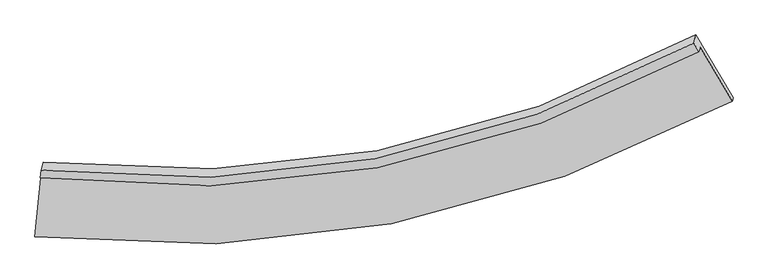
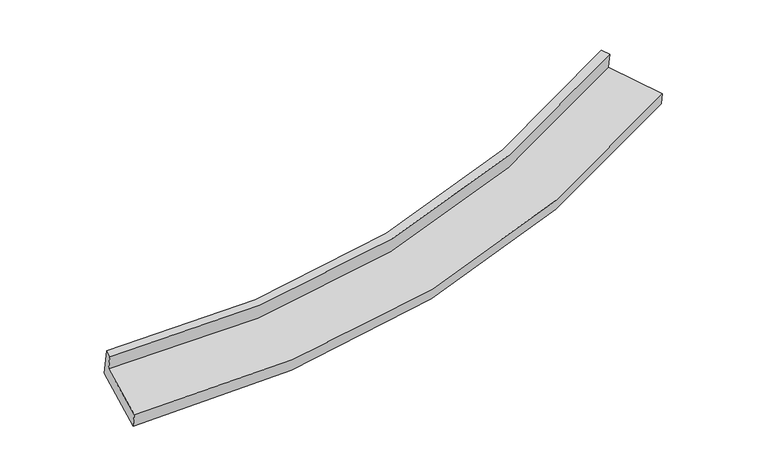
"""IFC4 building model written with IfcOpenShell, lengths in millimetres: proxy geometry."""

from ifc_helpers import new_model, si_unit, frame, origin, place, context, project, spatial, source, transform, mapped, element, save
from ifc_brep_helpers import plane_surface, spline_curve, spline_surface, advanced_brep


def generic_models_b96f1b6f(model_context):
    return source(origin(), model_context, "Body", "AdvancedBrep", [
        advanced_brep(
        [(-3861.8865782, -2026.4762737, 1872.0321728), (-3849.3615449, -1971.1550081, 1658.3889526), (3697.1291542, -527.0424236, 2423.692374), (3684.4212502, -581.3209206, 2647.2687673), (-3852.7412188, -1937.7255824, 1894.0983329), (3626.520607, -483.8196606, 2667.6484951), (-3830.8969429, -1844.4234558, 1509.7812623), (3648.8816304, -388.3103823, 2274.2400338), (-3913.1812475, -2651.7712022, 1278.7525144), (4075.049308, -1105.9515559, 2124.2385698), (-3924.4602155, -2699.9463716, 1477.1889346), (4065.3961886, -1147.1823372, 2294.0706377)],
        [
            (0, 1),
            (1, 2, spline_curve(3, [(-3849.3615449, -1971.1550081, 1658.3889526), (-2522.681765917, -2127.980373493, 1696.343085684), (-1236.966347076, -2089.565642922, 1777.902145516), (1280.384009539, -1617.028537714, 2031.030354256), (2510.165490444, -1174.072406828, 2204.572435045), (3697.1291542, -527.0424236, 2423.692374)], [4, 2, 4], [0.0, 12.690051331218951, 25.664011311000507])),
            (2, 3),
            (3, 0, spline_curve(3, [(3684.4212502, -581.3209206, 2647.2687673), (2497.596041517, -1227.4453158, 2426.869931917), (1267.898600299, -1670.042492571, 2251.849296784), (-1249.393155113, -2142.95084909, 1995.401387443), (-2535.13165677, -2182.072123708, 1912.009824245), (-3861.8865782, -2026.4762737, 1872.0321728)], [4, 2, 4], [0.0, 12.973959979781556, 25.664011311000507])),
            (4, 0),
            (3, 5),
            (5, 4, spline_curve(3, [(3626.520607, -483.8196606, 2667.6484951), (2452.436800633, -1126.850214451, 2448.724974602), (1234.751051924, -1568.663020446, 2274.577498974), (-1260.223623095, -2044.588203509, 2018.665668272), (-2535.625149314, -2087.410704928, 1934.963089435), (-3852.7412188, -1937.7255824, 1894.0983329)], [4, 2, 4], [0.0, 12.920244811496987, 25.557756421315645])),
            (6, 4),
            (5, 7),
            (7, 6, spline_curve(3, [(3648.8816304, -388.3103823, 2274.2400338), (2474.615253402, -1032.120740754, 2058.528574995), (1256.795208283, -1474.507156932, 1886.743834662), (-1238.349626261, -1951.159131675, 1633.825702533), (-2513.789105812, -1994.143740392, 1550.790852449), (-3830.8969429, -1844.4234558, 1509.7812623)], [4, 2, 4], [0.0, 12.866171863824297, 25.45079380212662])),
            (8, 6),
            (7, 9),
            (9, 8, spline_curve(3, [(4075.049308, -1105.9515559, 2124.2385698), (2818.912511053, -1788.595922119, 1899.674297077), (1517.296459341, -2257.82640044, 1716.609622945), (-1147.415722679, -2763.861556723, 1436.577332974), (-2508.543188801, -2809.90429396, 1337.813322266), (-3913.1812475, -2651.7712022, 1278.7525144)], [4, 2, 4], [0.0, 13.302177844250487, 26.31326466150644])),
            (10, 8),
            (9, 11),
            (11, 10, spline_curve(3, [(4065.3961886, -1147.1823372, 2294.0706377), (2809.641130278, -1828.196207243, 2062.790252709), (1508.07533418, -2297.212029212, 1878.841397405), (-1157.193145464, -2805.623269671, 1608.596339263), (-2518.912817636, -2854.195458773, 1520.251292927), (-3924.4602155, -2699.9463716, 1477.1889346)], [4, 2, 4], [0.0, 13.73811705239159, 27.17560343749134])),
            (1, 10),
            (11, 2),
        ],
        [
            spline_surface(3, 3, [[(-3861.8865782, -2026.4762737, 1872.0321728), (-2535.131656838, -2182.072123821, 1912.009824282), (-1249.393155179, -2142.950849259, 1995.401387389), (1267.898600367, -1670.042492398, 2251.849296839), (2497.596041486, -1227.445315927, 2426.869931916), (3684.4212502, -581.3209206, 2647.2687673)], [(-3857.711567089, -2008.035851834, 1800.817766072), (-2530.981693229, -2164.041540408, 1840.120911358), (-1245.250885892, -2125.155780466, 1922.90164003), (1272.06040346, -1652.371174177, 2178.242982712), (2501.785857864, -1209.654346268, 2352.770766324), (3688.657218197, -563.228088285, 2572.743302871)], [(-3853.536556011, -1989.595429966, 1729.603359328), (-2526.831729653, -2146.010956993, 1768.231998419), (-1241.108616536, -2107.360711685, 1850.401892674), (1276.222206623, -1634.699855966, 2104.636668589), (2505.975674251, -1191.863376554, 2278.67160072), (3692.893186203, -545.135255915, 2498.217838429)], [(-3849.3615449, -1971.1550081, 1658.3889526), (-2522.681766044, -2127.980373579, 1696.343085496), (-1236.96634725, -2089.565642892, 1777.902145315), (1280.384009717, -1617.028537745, 2031.030354462), (2510.165490629, -1174.072406895, 2204.572435129), (3697.1291542, -527.0424236, 2423.692374)]], [4, 4], [4, 2, 4], [0.0, 0.7411483774260402], [0.0, 12.690051331218951, 25.664011311000507]),
            spline_surface(3, 3, [[(-3852.7412188, -1937.7255824, 1894.0983329), (-2535.625149435, -2087.410705115, 1934.963089638), (-1260.223623099, -2044.588203622, 2018.665668183), (1234.751051928, -1568.663020332, 2274.577499066), (2452.436800834, -1126.850214573, 2448.724974591), (3626.520607, -483.8196606, 2667.6484951)], [(-3855.789671926, -1967.309146166, 1886.74294622), (-2535.460651896, -2118.96451135, 1927.312001206), (-1256.613467113, -2077.37575215, 2010.91090789), (1245.800234753, -1602.45617767, 2267.001431629), (2467.489881057, -1160.38191503, 2441.439960379), (3645.820821406, -516.320080606, 2660.855252513)], [(-3858.838125074, -1996.892709934, 1879.38755948), (-2535.296154377, -2150.518317587, 1919.660912714), (-1253.003311165, -2110.16330073, 2003.156147682), (1256.849417541, -1636.249335059, 2259.425364276), (2482.542961263, -1193.913615469, 2434.154946128), (3665.121035794, -548.820500594, 2654.062009887)], [(-3861.8865782, -2026.4762737, 1872.0321728), (-2535.131656838, -2182.072123821, 1912.009824282), (-1249.393155179, -2142.950849259, 1995.401387389), (1267.898600367, -1670.042492398, 2251.849296839), (2497.596041486, -1227.445315927, 2426.869931916), (3684.4212502, -581.3209206, 2647.2687673)]], [4, 4], [4, 2, 4], [0.0, 0.34415558388980055], [0.0, 12.637511609818658, 25.557756421315645]),
            spline_surface(3, 3, [[(-3830.8969429, -1844.4234558, 1509.7812623), (-2513.789105749, -1994.14374027, 1550.790852419), (-1238.349626227, -1951.159131795, 1633.825702507), (1256.795208248, -1474.50715681, 1886.743834688), (2474.615253202, -1032.120740812, 2058.528575084), (3648.8816304, -388.3103823, 2274.2400338)], [(-3838.178368223, -1875.524164652, 1637.886952498), (-2521.067787001, -2025.232728537, 1678.848264823), (-1245.640958531, -1982.302155733, 1762.105691086), (1249.447156128, -1505.892444646, 2016.021722834), (2467.222435757, -1063.697232057, 2188.594041575), (3641.427955944, -420.146808392, 2405.376187555)], [(-3845.459793477, -1906.624873548, 1765.992642702), (-2528.346468183, -2056.321716848, 1806.905677233), (-1252.932290795, -2013.445179684, 1890.385679604), (1242.099104048, -1537.277732496, 2145.29961092), (2459.82961828, -1095.273723327, 2318.6595081), (3633.974281456, -451.983234508, 2536.512341345)], [(-3852.7412188, -1937.7255824, 1894.0983329), (-2535.625149435, -2087.410705115, 1934.963089638), (-1260.223623099, -2044.588203622, 2018.665668183), (1234.751051928, -1568.663020332, 2274.577499066), (2452.436800834, -1126.850214573, 2448.724974591), (3626.520607, -483.8196606, 2667.6484951)]], [4, 4], [4, 2, 4], [0.0, 1.3064286106398046], [0.0, 12.584621938302321, 25.45079380212662]),
            spline_surface(3, 3, [[(-3913.1812475, -2651.7712022, 1278.7525144), (-2508.543188896, -2809.904294007, 1337.813322419), (-1147.415722467, -2763.861556815, 1436.577333118), (1517.296459124, -2257.826400346, 1716.609622798), (2818.912511169, -1788.595922121, 1899.674297262), (4075.049308, -1105.9515559, 2124.2385698)], [(-3885.753145946, -2382.655286749, 1355.76209702), (-2510.291827826, -2537.984109443, 1408.805832405), (-1177.727023713, -2492.960748481, 1502.326789573), (1430.462708839, -1996.71998584, 1773.321026753), (2704.1467585, -1536.437528361, 1952.625723212), (3932.993415453, -866.737831376, 2174.239057809)], [(-3858.325044454, -2113.539371251, 1432.77167968), (-2512.040466818, -2266.063924833, 1479.798342432), (-1208.03832498, -2222.059940129, 1568.076246053), (1343.628958533, -1735.613571316, 1830.032430734), (2589.381005872, -1284.279134572, 2005.577149134), (3790.937522947, -627.524106824, 2224.239545791)], [(-3830.8969429, -1844.4234558, 1509.7812623), (-2513.789105749, -1994.14374027, 1550.790852419), (-1238.349626227, -1951.159131795, 1633.825702507), (1256.795208248, -1474.50715681, 1886.743834688), (2474.615253202, -1032.120740812, 2058.528575084), (3648.8816304, -388.3103823, 2274.2400338)]], [4, 4], [4, 2, 4], [0.0, 2.747823610518001], [0.0, 13.011086817255954, 26.31326466150644]),
            spline_surface(3, 3, [[(-3924.4602155, -2699.9463716, 1477.1889346), (-2518.912817776, -2854.195458566, 1520.251293088), (-1157.193145647, -2805.623269477, 1608.596339117), (1508.075334367, -2297.21202941, 1878.841397554), (2809.641130258, -1828.196207047, 2062.790252538), (4065.3961886, -1147.1823372, 2294.0706377)], [(-3920.700559514, -2683.88798179, 1411.043461199), (-2515.45627483, -2839.431737036, 1459.438636197), (-1153.934004584, -2791.702698598, 1551.256670464), (1511.149042622, -2284.083486397, 1824.764139316), (2812.731590554, -1814.996112061, 2008.41826742), (4068.613895059, -1133.438743423, 2237.459948374)], [(-3916.940903486, -2667.82959201, 1344.897987801), (-2511.999731842, -2824.668015537, 1398.625979309), (-1150.67486353, -2777.782127694, 1493.91700177), (1514.222750869, -2270.954943359, 1770.686881036), (2815.822050873, -1801.796017107, 1954.04628238), (4071.831601541, -1119.695149677, 2180.849259126)], [(-3913.1812475, -2651.7712022, 1278.7525144), (-2508.543188896, -2809.904294007, 1337.813322419), (-1147.415722467, -2763.861556815, 1436.577333118), (1517.296459124, -2257.826400346, 1716.609622798), (2818.912511169, -1788.595922121, 1899.674297262), (4075.049308, -1105.9515559, 2124.2385698)]], [4, 4], [4, 2, 4], [0.0, 0.5647398725064868], [0.0, 13.43748638509975, 27.17560343749134]),
            spline_surface(3, 3, [[(-3849.3615449, -1971.1550081, 1658.3889526), (-2522.681766044, -2127.980373579, 1696.343085496), (-1236.96634725, -2089.565642892, 1777.902145315), (1280.384009717, -1617.028537745, 2031.030354462), (2510.165490629, -1174.072406895, 2204.572435129), (3697.1291542, -527.0424236, 2423.692374)], [(-3874.394435102, -2214.08546261, 1597.988946591), (-2521.425449956, -2370.052068585, 1637.645821351), (-1210.375280035, -2328.251518431, 1721.466876585), (1356.281117947, -1843.75636831, 1980.300702162), (2609.990703847, -1392.113673597, 2157.31170761), (3819.884832341, -733.755728117, 2380.485128578)], [(-3899.427325298, -2457.01591709, 1537.588940609), (-2520.169133863, -2612.12376356, 1578.948557232), (-1183.784212862, -2566.937393938, 1665.031607846), (1432.178226136, -2070.484198845, 1929.571049854), (2709.81591704, -1610.154940346, 2110.050980057), (3942.640510459, -940.469032683, 2337.277883122)], [(-3924.4602155, -2699.9463716, 1477.1889346), (-2518.912817776, -2854.195458566, 1520.251293088), (-1157.193145647, -2805.623269477, 1608.596339117), (1508.075334367, -2297.21202941, 1878.841397554), (2809.641130258, -1828.196207047, 2062.790252538), (4065.3961886, -1147.1823372, 2294.0706377)]], [4, 4], [4, 2, 4], [0.0, 2.403609092862691], [0.0, 13.063527697493397, 26.41931965753799]),
            plane_surface(frame((3799.5663564, -705.6045467, 2405.1931463), z_axis=(0.8627885812412072, 0.4778633625851786, 0.16505293326254805), x_axis=(-0.5025477736392726, 0.8462607395417459, 0.1768855446905367))),
            plane_surface(frame((-3872.087958, -2188.5829823, 1615.0403616), z_axis=(-0.9935075359663632, 0.10978968681885408, -0.02981611386924485), x_axis=(-0.056662906884119166, -0.2502718865411911, 0.9665160618378543))),
        ],
        [
            (0, [[1, 2, 3, 4]]),
            (1, [[5, -4, 6, 7]]),
            (2, [[8, -7, 9, 10]]),
            (3, [[11, -10, 12, 13]]),
            (4, [[14, -13, 15, 16]]),
            (5, [[17, -16, 18, -2]]),
            (6, [[-12, -9, -6, -3, -18, -15]]),
            (7, [[-1, -5, -8, -11, -14, -17]]),
        ],
    ),
    ])


if __name__ == "__main__":
    model = new_model("IFC4")
    model_context = context("Model", 3, world=origin())
    ifc_project = project(units=[si_unit("LENGTHUNIT", "METRE", prefix="MILLI")], contexts=[model_context])
    site = spatial("IfcSite", under=ifc_project)
    building = spatial("IfcBuilding", under=site)
    placement = place(None, origin())
    generic_models_shape = generic_models_b96f1b6f(model_context)
    element("IfcBuildingElementProxy", 1, Name="Generic Models", at=placement, inside=building, context=model_context, shape_type="MappedRepresentation", body=[
        mapped(generic_models_shape, transform((0.0, 0.0, 0.0), x_axis=(1.0, 0.0, 0.0), y_axis=(0.0, 1.0, 0.0), z_axis=(0.0, 0.0, 1.0))),
    ])
    save(model, "model.ifc")
